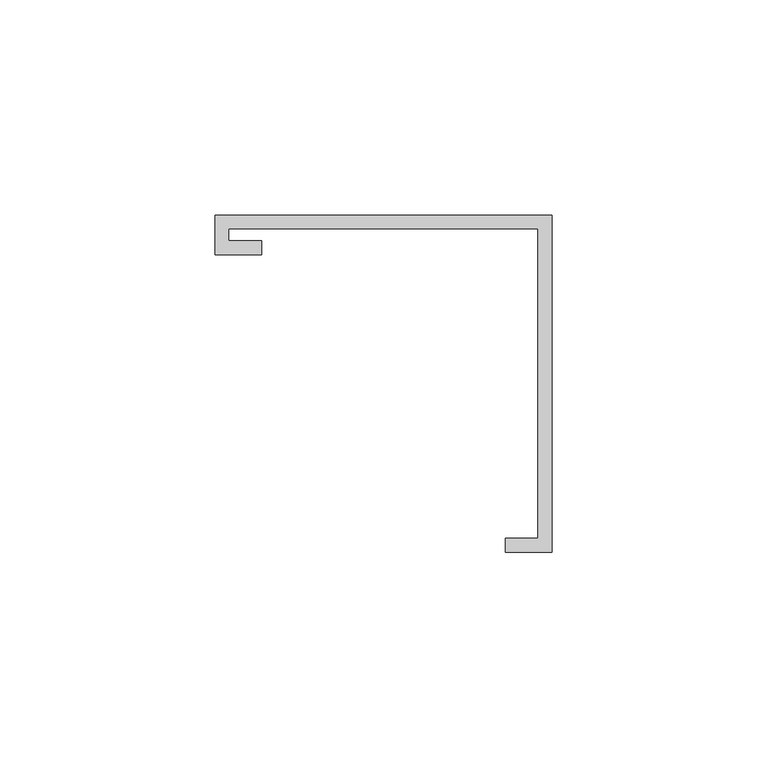
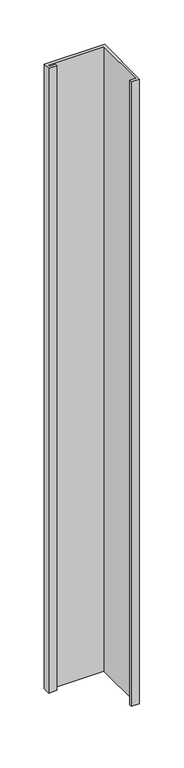
"""IFC4 building model written with IfcOpenShell, lengths in millimetres: furniture geometry."""

from ifc_helpers import new_model, si_unit, frame, origin, place, context, project, spatial, polyline, outline, extrude, source, transform, mapped, element, save


def furniture_f2adab3e(model_context):
    return source(origin(), model_context, "Body", "SweptSolid", [
        extrude(outline(polyline([(-39.0921875, 29.9735875), (-39.0921875, 39.0921875), (39.0921875, 39.0921875), (39.0921875, -39.0921875), (28.2971875, -39.0921875), (28.2971875, -35.9171875), (35.9171875, -35.9171875), (35.9171875, 35.9171875), (-35.9171875, 35.9171875), (-35.9171875, 33.1485875), (-28.2971875, 33.1485875), (-28.2971875, 29.9735875), (-39.0921875, 29.9735875)])), frame((0.0, 0.0, 1157.2875), z_axis=(0.0, 0.0, 1.0), x_axis=(1.0, 0.0, 0.0)), (0.0, 0.0, 1.0), 857.1507813),
    ])


if __name__ == "__main__":
    model = new_model("IFC4")
    model_context = context("Model", 3, world=origin())
    ifc_project = project(units=[si_unit("LENGTHUNIT", "METRE", prefix="MILLI")], contexts=[model_context])
    site = spatial("IfcSite", under=ifc_project)
    building = spatial("IfcBuilding", under=site)
    placement = place(None, origin())
    furniture_shape = furniture_f2adab3e(model_context)
    element("IfcFurniture", 1, at=placement, inside=building, context=model_context, shape_type="MappedRepresentation", body=[
        mapped(furniture_shape, transform((0.0, 0.0, 0.0), x_axis=(1.0, 0.0, 0.0), y_axis=(0.0, 1.0, 0.0), z_axis=(0.0, 0.0, 1.0))),
    ])
    save(model, "model.ifc")
